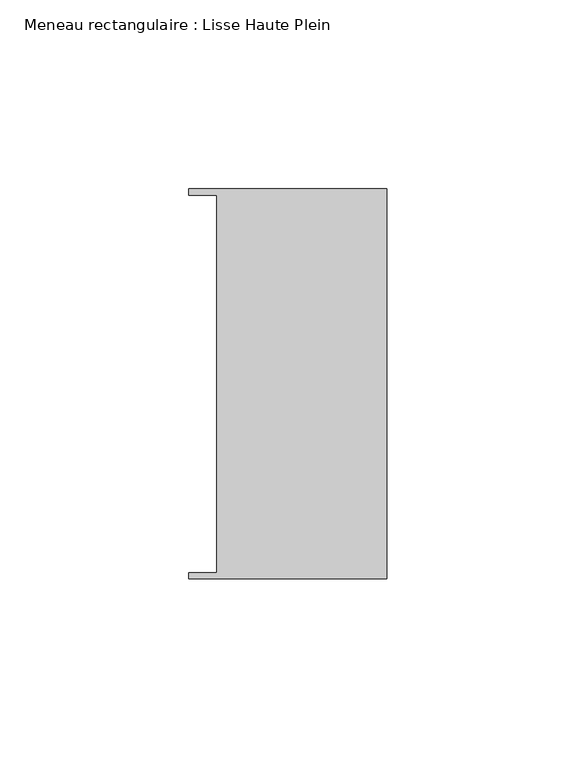
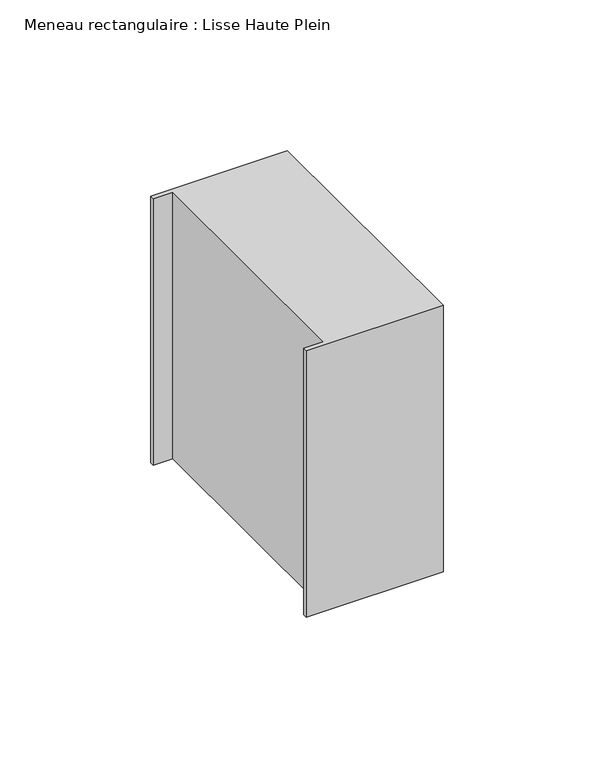
"""IFC4 building model written with IfcOpenShell, lengths in millimetres: member geometry, Meneau rectangulaire : Lisse Haute Plein."""

from ifc_helpers import new_model, si_unit, frame, origin, place, context, project, spatial, polyline, outline, extrude, source, transform, mapped, element, save


def meneau_rectangulaire_lisse_haute_plein_2388a85a(model_context):
    return source(origin(), model_context, "Body", "SweptSolid", [
        extrude(outline(polyline([(-44.9064331, 49.9174073), (-52.3, 49.9174073), (-52.3, 51.585934), (0.0, 51.585934), (0.0, -51.6011428), (-52.3, -51.6011428), (-52.3, -49.9174073), (-44.9064331, -49.9174073), (-44.9064331, 49.9174073)])), frame((0.0, 0.0, -107.8727689), z_axis=(0.0, 0.0, 1.0), x_axis=(1.0, 0.0, 0.0)), (0.0, 0.0, 1.0), 107.8727689),
    ])


if __name__ == "__main__":
    model = new_model("IFC4")
    model_context = context("Model", 3, world=origin())
    ifc_project = project(units=[si_unit("LENGTHUNIT", "METRE", prefix="MILLI")], contexts=[model_context])
    site = spatial("IfcSite", under=ifc_project)
    building = spatial("IfcBuilding", under=site)
    placement = place(None, origin())
    meneau_rectangulaire_lisse_haute_plein_shape = meneau_rectangulaire_lisse_haute_plein_2388a85a(model_context)
    element("IfcMember", 1, ObjectType="Meneau rectangulaire : Lisse Haute Plein", at=placement, inside=building, context=model_context, shape_type="MappedRepresentation", body=[
        mapped(meneau_rectangulaire_lisse_haute_plein_shape, transform((0.0, 0.0, 0.0), x_axis=(1.0, 0.0, 0.0), y_axis=(0.0, 1.0, 0.0), z_axis=(0.0, 0.0, 1.0))),
    ])
    save(model, "model.ifc")
